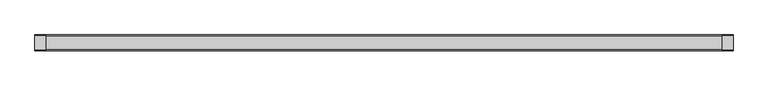
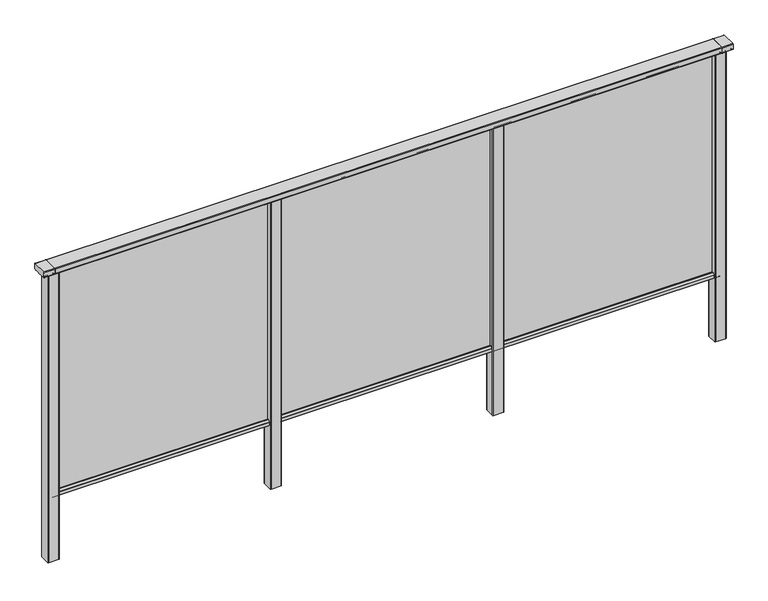
"""IFC4 building model written with IfcOpenShell, lengths in millimetres: railing geometry."""

from ifc_helpers import new_model, si_unit, point, frame, frame_2d, origin, place, context, project, spatial, polyline, circle_curve, trimmed, segment, composite_curve, outline, extrude, source, transform, mapped, element, save


def railing_f9247675(model_context):
    return source(origin(), model_context, "Body", "SweptSolid", [
        extrude(outline(composite_curve([segment(trimmed(circle_curve(frame_2d((7892.8460333, 1197.0)), 3.0), [point((7892.8460333, 1200.0))], [point((7895.8460333, 1197.0))], False, "CARTESIAN"), True, "CONTINUOUS"), segment(polyline([(7895.8460333, 1197.0), (7895.8460333, 1174.8)]), True, "CONTINUOUS"), segment(trimmed(circle_curve(frame_2d((7892.8460333, 1174.8)), 3.0), [point((7895.8460333, 1174.8))], [point((7892.8460333, 1171.8))], False, "CARTESIAN"), True, "CONTINUOUS"), segment(polyline([(7892.8460333, 1171.8), (7887.9961193, 1171.8)]), True, "CONTINUOUS"), segment(trimmed(circle_curve(frame_2d((7887.9961193, 1172.7286632)), 0.9286632), [point((7887.9961193, 1171.8))], [point((7887.0960471, 1172.5000033))], False, "CARTESIAN"), True, "CONTINUOUS"), segment(trimmed(circle_curve(frame_2d((7886.5960471, 1172.5000003)), 0.5), [point((7887.0960471, 1172.5000033))], [point((7886.5960471, 1172.0000003))], False, "CARTESIAN"), True, "CONTINUOUS"), segment(polyline([(7886.5960471, 1172.0000003), (7869.5751393, 1172.0000003)]), True, "CONTINUOUS"), segment(trimmed(circle_curve(frame_2d((7860.8508208, 1188.8785723)), 18.999998), [point((7869.5751393, 1172.0000003))], [point((7852.1265024, 1172.0000003))], False, "CARTESIAN"), True, "CONTINUOUS"), segment(polyline([(7852.1265024, 1172.0000003), (7835.0960436, 1172.0000003)]), True, "CONTINUOUS"), segment(trimmed(circle_curve(frame_2d((7835.0960436, 1172.5000003)), 0.5), [point((7835.0960436, 1172.0000003))], [point((7834.5960436, 1172.5000033))], False, "CARTESIAN"), True, "CONTINUOUS"), segment(trimmed(circle_curve(frame_2d((7833.6961402, 1172.7284461)), 0.9284461), [point((7834.5960436, 1172.5000033))], [point((7833.6961402, 1171.8))], False, "CARTESIAN"), True, "CONTINUOUS"), segment(polyline([(7833.6961402, 1171.8), (7828.8460333, 1171.8)]), True, "CONTINUOUS"), segment(trimmed(circle_curve(frame_2d((7828.8460333, 1174.8)), 3.0), [point((7828.8460333, 1171.8))], [point((7825.8460333, 1174.8))], False, "CARTESIAN"), True, "CONTINUOUS"), segment(polyline([(7825.8460333, 1174.8), (7825.8460333, 1197.0)]), True, "CONTINUOUS"), segment(trimmed(circle_curve(frame_2d((7828.8460333, 1197.0)), 3.0), [point((7825.8460333, 1197.0))], [point((7828.8460333, 1200.0))], False, "CARTESIAN"), True, "CONTINUOUS"), segment(polyline([(7828.8460333, 1200.0), (7892.8460333, 1200.0)]), True, "CONTINUOUS")], self_intersect=False)), frame((-428.6053075, 0.0, 0.0), z_axis=(1.0, 0.0, 0.0), x_axis=(0.0, 1.0, 0.0)), (0.0, 0.0, 1.0), 3000.0),
        extrude(outline(composite_curve([segment(polyline([(7876.5508136, 100.0), (7845.1507946, 100.0)]), True, "CONTINUOUS"), segment(trimmed(circle_curve(frame_2d((7845.1507946, 101.8)), 1.8), [point((7845.1507946, 100.0))], [point((7843.3507946, 101.8))], False, "CARTESIAN"), True, "CONTINUOUS"), segment(polyline([(7843.3507946, 101.8), (7843.3507946, 115.5269955)]), True, "CONTINUOUS"), segment(trimmed(circle_curve(frame_2d((7845.1507946, 115.5269955)), 1.8), [point((7843.3507946, 115.5269955))], [point((7843.7923399, 116.7079277))], False, "CARTESIAN"), True, "CONTINUOUS"), segment(polyline([(7843.7923399, 116.7079277), (7850.4626384, 124.3809322)]), True, "CONTINUOUS"), segment(trimmed(circle_curve(frame_2d((7851.8210931, 123.2)), 1.8), [point((7850.4626384, 124.3809322))], [point((7851.8210931, 125.0))], False, "CARTESIAN"), True, "CONTINUOUS"), segment(polyline([(7851.8210931, 125.0), (7855.5111113, 125.0), (7856.809143, 113.0), (7864.8924411, 113.0), (7866.1904978, 125.0), (7869.88054, 125.0)]), True, "CONTINUOUS"), segment(trimmed(circle_curve(frame_2d((7869.88054, 123.2)), 1.8), [point((7869.88054, 125.0))], [point((7871.2389969, 124.3809297))], False, "CARTESIAN"), True, "CONTINUOUS"), segment(polyline([(7871.2389969, 124.3809297), (7877.9092704, 116.7079252)]), True, "CONTINUOUS"), segment(trimmed(circle_curve(frame_2d((7876.5508136, 115.5269955)), 1.8), [point((7877.9092704, 116.7079252))], [point((7878.3508136, 115.5269955))], False, "CARTESIAN"), True, "CONTINUOUS"), segment(polyline([(7878.3508136, 115.5269955), (7878.3508136, 101.8)]), True, "CONTINUOUS"), segment(trimmed(circle_curve(frame_2d((7876.5508136, 101.8)), 1.8), [point((7878.3508136, 101.8))], [point((7876.5508136, 100.0))], False, "CARTESIAN"), True, "CONTINUOUS")], self_intersect=False)), frame((-428.6053075, 0.0, 0.0), z_axis=(1.0, 0.0, 0.0), x_axis=(0.0, 1.0, 0.0)), (0.0, 0.0, 1.0), 3000.0),
        extrude(outline(polyline([(-428.6053075, 7858.8508041), (-428.6053075, 7862.8508041), (2571.3946925, 7862.8508041), (2571.3946925, 7858.8508041), (-428.6053075, 7858.8508041)])), frame((0.0, 0.0, 100.0), z_axis=(0.0, 0.0, 1.0), x_axis=(1.0, 0.0, 0.0)), (0.0, 0.0, 1.0), 1070.0),
        extrude(outline(composite_curve([segment(trimmed(circle_curve(frame_2d((1593.7947043, 7883.2508153)), 3.0), [point((1593.794704, 7886.2508153))], [point((1596.7947043, 7883.2508156))], False, "CARTESIAN"), True, "CONTINUOUS"), segment(polyline([(1596.7947043, 7883.2508156), (1596.7947083, 7838.4507926)]), True, "CONTINUOUS"), segment(trimmed(circle_curve(frame_2d((1593.7947083, 7838.4507923)), 3.0), [point((1596.7947083, 7838.4507926))], [point((1593.7947086, 7835.4507923))], False, "CARTESIAN"), True, "CONTINUOUS"), segment(polyline([(1593.7947086, 7835.4507923), (1548.9946856, 7835.4507883)]), True, "CONTINUOUS"), segment(trimmed(circle_curve(frame_2d((1548.9946853, 7838.4507883)), 3.0), [point((1548.9946856, 7835.4507883))], [point((1545.9946853, 7838.450788))], False, "CARTESIAN"), True, "CONTINUOUS"), segment(polyline([(1545.9946853, 7838.450788), (1545.9946813, 7883.250811)]), True, "CONTINUOUS"), segment(trimmed(circle_curve(frame_2d((1548.9946813, 7883.2508113)), 3.0), [point((1545.9946813, 7883.250811))], [point((1548.994681, 7886.2508113))], False, "CARTESIAN"), True, "CONTINUOUS"), segment(polyline([(1548.994681, 7886.2508113), (1593.794704, 7886.2508153)]), True, "CONTINUOUS")], self_intersect=False)), frame((0.0, 0.0, -198.0), z_axis=(0.0, 0.0, 1.0), x_axis=(1.0, 0.0, 0.0)), (0.0, 0.0, 1.0), 1367.8785743),
        extrude(outline(composite_curve([segment(trimmed(circle_curve(frame_2d((593.7947043, 7883.2508153)), 3.0), [point((593.794704, 7886.2508153))], [point((596.7947043, 7883.2508156))], False, "CARTESIAN"), True, "CONTINUOUS"), segment(polyline([(596.7947043, 7883.2508156), (596.7947083, 7838.4507926)]), True, "CONTINUOUS"), segment(trimmed(circle_curve(frame_2d((593.7947083, 7838.4507923)), 3.0), [point((596.7947083, 7838.4507926))], [point((593.7947086, 7835.4507923))], False, "CARTESIAN"), True, "CONTINUOUS"), segment(polyline([(593.7947086, 7835.4507923), (548.9946856, 7835.4507883)]), True, "CONTINUOUS"), segment(trimmed(circle_curve(frame_2d((548.9946853, 7838.4507883)), 3.0), [point((548.9946856, 7835.4507883))], [point((545.9946853, 7838.450788))], False, "CARTESIAN"), True, "CONTINUOUS"), segment(polyline([(545.9946853, 7838.450788), (545.9946813, 7883.250811)]), True, "CONTINUOUS"), segment(trimmed(circle_curve(frame_2d((548.9946813, 7883.2508113)), 3.0), [point((545.9946813, 7883.250811))], [point((548.994681, 7886.2508113))], False, "CARTESIAN"), True, "CONTINUOUS"), segment(polyline([(548.994681, 7886.2508113), (593.794704, 7886.2508153)]), True, "CONTINUOUS")], self_intersect=False)), frame((0.0, 0.0, -198.0), z_axis=(0.0, 0.0, 1.0), x_axis=(1.0, 0.0, 0.0)), (0.0, 0.0, 1.0), 1367.8785743),
        extrude(outline(composite_curve([segment(trimmed(circle_curve(frame_2d((2593.7947043, 7883.2508153)), 3.0), [point((2593.794704, 7886.2508153))], [point((2596.7947043, 7883.2508156))], False, "CARTESIAN"), True, "CONTINUOUS"), segment(polyline([(2596.7947043, 7883.2508156), (2596.7947083, 7838.4507926)]), True, "CONTINUOUS"), segment(trimmed(circle_curve(frame_2d((2593.7947083, 7838.4507923)), 3.0), [point((2596.7947083, 7838.4507926))], [point((2593.7947086, 7835.4507923))], False, "CARTESIAN"), True, "CONTINUOUS"), segment(polyline([(2593.7947086, 7835.4507923), (2548.9946856, 7835.4507883)]), True, "CONTINUOUS"), segment(trimmed(circle_curve(frame_2d((2548.9946853, 7838.4507883)), 3.0), [point((2548.9946856, 7835.4507883))], [point((2545.9946853, 7838.450788))], False, "CARTESIAN"), True, "CONTINUOUS"), segment(polyline([(2545.9946853, 7838.450788), (2545.9946813, 7883.250811)]), True, "CONTINUOUS"), segment(trimmed(circle_curve(frame_2d((2548.9946813, 7883.2508113)), 3.0), [point((2545.9946813, 7883.250811))], [point((2548.994681, 7886.2508113))], False, "CARTESIAN"), True, "CONTINUOUS"), segment(polyline([(2548.994681, 7886.2508113), (2593.794704, 7886.2508153)]), True, "CONTINUOUS")], self_intersect=False)), frame((0.0, 0.0, -198.0), z_axis=(0.0, 0.0, 1.0), x_axis=(1.0, 0.0, 0.0)), (0.0, 0.0, 1.0), 1367.8785743),
        extrude(outline(composite_curve([segment(trimmed(circle_curve(frame_2d((7892.8460333, 1197.0)), 3.0), [point((7892.8460333, 1200.0))], [point((7895.8460333, 1197.0))], False, "CARTESIAN"), True, "CONTINUOUS"), segment(polyline([(7895.8460333, 1197.0), (7895.8460333, 1174.8)]), True, "CONTINUOUS"), segment(trimmed(circle_curve(frame_2d((7892.8460333, 1174.8)), 3.0), [point((7895.8460333, 1174.8))], [point((7892.8460333, 1171.8))], False, "CARTESIAN"), True, "CONTINUOUS"), segment(polyline([(7892.8460333, 1171.8), (7887.9961193, 1171.8)]), True, "CONTINUOUS"), segment(trimmed(circle_curve(frame_2d((7887.9961193, 1172.7286632)), 0.9286632), [point((7887.9961193, 1171.8))], [point((7887.0960471, 1172.5000033))], False, "CARTESIAN"), True, "CONTINUOUS"), segment(trimmed(circle_curve(frame_2d((7886.5960471, 1172.5000003)), 0.5), [point((7887.0960471, 1172.5000033))], [point((7886.5960471, 1172.0000003))], False, "CARTESIAN"), True, "CONTINUOUS"), segment(polyline([(7886.5960471, 1172.0000003), (7869.5751393, 1172.0000003)]), True, "CONTINUOUS"), segment(trimmed(circle_curve(frame_2d((7860.8508208, 1188.8785723)), 18.999998), [point((7869.5751393, 1172.0000003))], [point((7852.1265024, 1172.0000003))], False, "CARTESIAN"), True, "CONTINUOUS"), segment(polyline([(7852.1265024, 1172.0000003), (7835.0960436, 1172.0000003)]), True, "CONTINUOUS"), segment(trimmed(circle_curve(frame_2d((7835.0960436, 1172.5000003)), 0.5), [point((7835.0960436, 1172.0000003))], [point((7834.5960436, 1172.5000033))], False, "CARTESIAN"), True, "CONTINUOUS"), segment(trimmed(circle_curve(frame_2d((7833.6961402, 1172.7284461)), 0.9284461), [point((7834.5960436, 1172.5000033))], [point((7833.6961402, 1171.8))], False, "CARTESIAN"), True, "CONTINUOUS"), segment(polyline([(7833.6961402, 1171.8), (7828.8460333, 1171.8)]), True, "CONTINUOUS"), segment(trimmed(circle_curve(frame_2d((7828.8460333, 1174.8)), 3.0), [point((7828.8460333, 1171.8))], [point((7825.8460333, 1174.8))], False, "CARTESIAN"), True, "CONTINUOUS"), segment(polyline([(7825.8460333, 1174.8), (7825.8460333, 1197.0)]), True, "CONTINUOUS"), segment(trimmed(circle_curve(frame_2d((7828.8460333, 1197.0)), 3.0), [point((7825.8460333, 1197.0))], [point((7828.8460333, 1200.0))], False, "CARTESIAN"), True, "CONTINUOUS"), segment(polyline([(7828.8460333, 1200.0), (7892.8460333, 1200.0)]), True, "CONTINUOUS")], self_intersect=False)), frame((2571.3946838, 0.0, 0.0), z_axis=(1.0, 0.0, 0.0), x_axis=(0.0, 1.0, 0.0)), (0.0, 0.0, 1.0), 50.0),
        extrude(outline(composite_curve([segment(trimmed(circle_curve(frame_2d((-406.2052957, 7883.2508153)), 3.0), [point((-406.205296, 7886.2508153))], [point((-403.2052957, 7883.2508156))], False, "CARTESIAN"), True, "CONTINUOUS"), segment(polyline([(-403.2052957, 7883.2508156), (-403.2052917, 7838.4507926)]), True, "CONTINUOUS"), segment(trimmed(circle_curve(frame_2d((-406.2052917, 7838.4507923)), 3.0), [point((-403.2052917, 7838.4507926))], [point((-406.2052914, 7835.4507923))], False, "CARTESIAN"), True, "CONTINUOUS"), segment(polyline([(-406.2052914, 7835.4507923), (-451.0053144, 7835.4507883)]), True, "CONTINUOUS"), segment(trimmed(circle_curve(frame_2d((-451.0053147, 7838.4507883)), 3.0), [point((-451.0053144, 7835.4507883))], [point((-454.0053147, 7838.450788))], False, "CARTESIAN"), True, "CONTINUOUS"), segment(polyline([(-454.0053147, 7838.450788), (-454.0053187, 7883.250811)]), True, "CONTINUOUS"), segment(trimmed(circle_curve(frame_2d((-451.0053187, 7883.2508113)), 3.0), [point((-454.0053187, 7883.250811))], [point((-451.005319, 7886.2508113))], False, "CARTESIAN"), True, "CONTINUOUS"), segment(polyline([(-451.005319, 7886.2508113), (-406.205296, 7886.2508153)]), True, "CONTINUOUS")], self_intersect=False)), frame((0.0, 0.0, -198.0), z_axis=(0.0, 0.0, 1.0), x_axis=(1.0, 0.0, 0.0)), (0.0, 0.0, 1.0), 1367.8785743),
        extrude(outline(composite_curve([segment(trimmed(circle_curve(frame_2d((7892.8460333, 1197.0)), 3.0), [point((7892.8460333, 1200.0))], [point((7895.8460333, 1197.0))], False, "CARTESIAN"), True, "CONTINUOUS"), segment(polyline([(7895.8460333, 1197.0), (7895.8460333, 1174.8)]), True, "CONTINUOUS"), segment(trimmed(circle_curve(frame_2d((7892.8460333, 1174.8)), 3.0), [point((7895.8460333, 1174.8))], [point((7892.8460333, 1171.8))], False, "CARTESIAN"), True, "CONTINUOUS"), segment(polyline([(7892.8460333, 1171.8), (7887.9961193, 1171.8)]), True, "CONTINUOUS"), segment(trimmed(circle_curve(frame_2d((7887.9961193, 1172.7286632)), 0.9286632), [point((7887.9961193, 1171.8))], [point((7887.0960471, 1172.5000033))], False, "CARTESIAN"), True, "CONTINUOUS"), segment(trimmed(circle_curve(frame_2d((7886.5960471, 1172.5000003)), 0.5), [point((7887.0960471, 1172.5000033))], [point((7886.5960471, 1172.0000003))], False, "CARTESIAN"), True, "CONTINUOUS"), segment(polyline([(7886.5960471, 1172.0000003), (7869.5751393, 1172.0000003)]), True, "CONTINUOUS"), segment(trimmed(circle_curve(frame_2d((7860.8508208, 1188.8785723)), 18.999998), [point((7869.5751393, 1172.0000003))], [point((7852.1265024, 1172.0000003))], False, "CARTESIAN"), True, "CONTINUOUS"), segment(polyline([(7852.1265024, 1172.0000003), (7835.0960436, 1172.0000003)]), True, "CONTINUOUS"), segment(trimmed(circle_curve(frame_2d((7835.0960436, 1172.5000003)), 0.5), [point((7835.0960436, 1172.0000003))], [point((7834.5960436, 1172.5000033))], False, "CARTESIAN"), True, "CONTINUOUS"), segment(trimmed(circle_curve(frame_2d((7833.6961402, 1172.7284461)), 0.9284461), [point((7834.5960436, 1172.5000033))], [point((7833.6961402, 1171.8))], False, "CARTESIAN"), True, "CONTINUOUS"), segment(polyline([(7833.6961402, 1171.8), (7828.8460333, 1171.8)]), True, "CONTINUOUS"), segment(trimmed(circle_curve(frame_2d((7828.8460333, 1174.8)), 3.0), [point((7828.8460333, 1171.8))], [point((7825.8460333, 1174.8))], False, "CARTESIAN"), True, "CONTINUOUS"), segment(polyline([(7825.8460333, 1174.8), (7825.8460333, 1197.0)]), True, "CONTINUOUS"), segment(trimmed(circle_curve(frame_2d((7828.8460333, 1197.0)), 3.0), [point((7825.8460333, 1197.0))], [point((7828.8460333, 1200.0))], False, "CARTESIAN"), True, "CONTINUOUS"), segment(polyline([(7828.8460333, 1200.0), (7892.8460333, 1200.0)]), True, "CONTINUOUS")], self_intersect=False)), frame((-478.6053162, 0.0, 0.0), z_axis=(1.0, 0.0, 0.0), x_axis=(0.0, 1.0, 0.0)), (0.0, 0.0, 1.0), 50.0),
    ])


if __name__ == "__main__":
    model = new_model("IFC4")
    model_context = context("Model", 3, world=origin())
    ifc_project = project(units=[si_unit("LENGTHUNIT", "METRE", prefix="MILLI")], contexts=[model_context])
    site = spatial("IfcSite", under=ifc_project)
    building = spatial("IfcBuilding", under=site)
    placement = place(None, origin())
    railing_shape = railing_f9247675(model_context)
    element("IfcRailing", 1, at=placement, inside=building, context=model_context, shape_type="MappedRepresentation", body=[
        mapped(railing_shape, transform((0.0, 0.0, 0.0), x_axis=(1.0, 0.0, 0.0), y_axis=(0.0, 1.0, 0.0), z_axis=(0.0, 0.0, 1.0))),
    ])
    save(model, "model.ifc")
